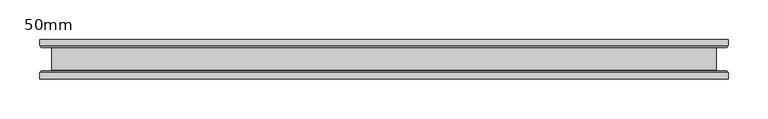
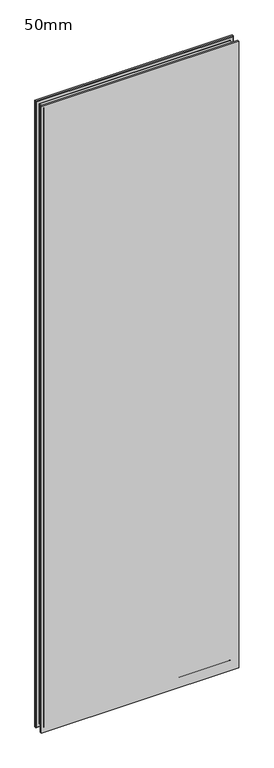
"""IFC4 building model written with IfcOpenShell, lengths in millimetres: plate geometry, 50mm."""

from ifc_helpers import new_model, si_unit, frame, origin, place, context, project, spatial, polyline, ellipse_curve, source, transform, mapped, element, save
from ifc_brep_helpers import plane_surface, revolved_surface, advanced_brep


def plate_50mm_625cb306(model_context):
    return source(origin(), model_context, "Body", "AdvancedBrep", [
        advanced_brep(
        [(434.6060992, 25.0, 2900.0), (-434.6060992, 25.0, 2900.0), (-434.6060992, 17.0, 2900.0), (434.6060992, 17.0, 2900.0), (-434.6060992, -25.0, 2900.0), (434.6060992, -25.0, 2900.0), (434.6060992, -17.0, 2900.0), (-434.6060992, -17.0, 2900.0), (434.6060992, -25.0, -13.5), (-434.6060992, -25.0, -13.5), (-434.6060992, -17.0, -13.5), (434.6060992, -17.0, -13.5), (-434.6060992, 25.0, -13.5), (434.6060992, 25.0, -13.5), (434.6060992, 17.0, -13.5), (-434.6060992, 17.0, -13.5), (-432.6060992, -15.0, -11.5), (432.6060992, -15.0, -11.5), (-419.6060992, -14.4, 1.5), (419.6060992, -14.4, 1.5), (420.2060992, -15.0, 0.9), (-420.2060992, -15.0, 0.9), (-419.6060992, 14.4, 1.5), (419.6060992, 14.4, 1.5), (-420.2060992, 15.0, 0.9), (420.2060992, 15.0, 0.9), (432.6060992, 15.0, -11.5), (-432.6060992, 15.0, -11.5), (432.6060992, -15.0, 2898.0), (419.6060992, -14.4, 2885.0), (420.2060992, -15.0, 2885.6), (419.6060992, 14.4, 2885.0), (420.2060992, 15.0, 2885.6), (432.6060992, 15.0, 2898.0), (-432.6060992, -15.0, 2898.0), (-419.6060992, -14.4, 2885.0), (-420.2060992, -15.0, 2885.6), (-419.6060992, 14.4, 2885.0), (-420.2060992, 15.0, 2885.6), (-432.6060992, 15.0, 2898.0)],
        [
            (0, 1),
            (1, 2),
            (2, 3),
            (3, 0),
            (4, 5),
            (5, 6),
            (6, 7),
            (7, 4),
            (8, 9),
            (9, 10),
            (10, 11),
            (11, 8),
            (12, 13),
            (13, 14),
            (14, 15),
            (15, 12),
            (0, 13),
            (12, 1),
            (15, 2),
            (9, 4),
            (7, 10),
            (8, 5),
            (3, 14),
            (11, 6),
            (16, 17),
            (17, 11),
            (10, 16),
            (18, 19),
            (19, 20, ellipse_curve(frame((420.2060992, -14.4, 0.9), z_axis=(0.7071067811865475, 0.0, 0.7071067811865475), x_axis=(-0.7071067811865476, 0.0, 0.7071067811865474)), 0.8485281, 0.6)),
            (20, 21),
            (21, 18, ellipse_curve(frame((-420.2060992, -14.4, 0.9), z_axis=(-0.7071067811865475, 0.0, 0.7071067811865475), x_axis=(-0.7071067811865476, 0.0, -0.7071067811865474)), 0.8485281, 0.6)),
            (18, 22),
            (22, 23),
            (23, 19),
            (22, 24, ellipse_curve(frame((-420.2060992, 14.4, 0.9), z_axis=(-0.7071067811865475, 0.0, 0.7071067811865475), x_axis=(-0.7071067811865476, 0.0, -0.7071067811865474)), 0.8485281, 0.6)),
            (24, 25),
            (25, 23, ellipse_curve(frame((420.2060992, 14.4, 0.9), z_axis=(0.7071067811865475, 0.0, 0.7071067811865475), x_axis=(-0.7071067811865476, 0.0, 0.7071067811865474)), 0.8485281, 0.6)),
            (14, 26),
            (26, 27),
            (27, 15),
            (17, 28),
            (28, 6),
            (19, 29),
            (29, 30, ellipse_curve(frame((420.2060992, -14.4, 2885.6), z_axis=(-0.7071067811865475, 0.0, 0.7071067811865475), x_axis=(-0.7071067811865474, 0.0, -0.7071067811865476)), 0.8485281, 0.6)),
            (30, 20),
            (23, 31),
            (31, 29),
            (25, 32),
            (32, 31, ellipse_curve(frame((420.2060992, 14.4, 2885.6), z_axis=(-0.7071067811865475, 0.0, 0.7071067811865475), x_axis=(-0.7071067811865474, 0.0, -0.7071067811865476)), 0.8485281, 0.6)),
            (3, 33),
            (33, 26),
            (28, 34),
            (34, 7),
            (29, 35),
            (35, 36, ellipse_curve(frame((-420.2060992, -14.4, 2885.6), z_axis=(-0.7071067811865475, 0.0, -0.7071067811865475), x_axis=(0.7071067811865476, 0.0, -0.7071067811865474)), 0.8485281, 0.6)),
            (36, 30),
            (31, 37),
            (37, 35),
            (32, 38),
            (38, 37, ellipse_curve(frame((-420.2060992, 14.4, 2885.6), z_axis=(-0.7071067811865475, 0.0, -0.7071067811865475), x_axis=(0.7071067811865476, 0.0, -0.7071067811865474)), 0.8485281, 0.6)),
            (2, 39),
            (39, 33),
            (34, 16),
            (36, 21),
            (35, 18),
            (37, 22),
            (38, 24),
            (39, 27),
        ],
        [
            plane_surface(frame((-434.6060992, 25.0, 2900.0), z_axis=(0.0, 0.0, 1.0), x_axis=(-1.0, 0.0, 0.0))),
            plane_surface(frame((-434.6060992, 25.0, -13.5), z_axis=(0.0, 0.0, -1.0), x_axis=(1.0, 0.0, 0.0))),
            plane_surface(frame((434.6060992, 25.0, 2900.0), z_axis=(0.0, 1.0, 0.0), x_axis=(0.0, 0.0, -1.0))),
            plane_surface(frame((-434.6060992, 25.0, 2900.0), z_axis=(-1.0, 0.0, 0.0), x_axis=(0.0, 0.0, -1.0))),
            plane_surface(frame((-434.6060992, -25.0, 2900.0), z_axis=(0.0, -1.0, 0.0), x_axis=(0.0, 0.0, -1.0))),
            plane_surface(frame((434.6060992, -25.0, 2900.0), z_axis=(1.0, 0.0, 0.0), x_axis=(0.0, 0.0, -1.0))),
            plane_surface(frame((-434.6060992, -17.0, -13.5), z_axis=(0.0, 0.7071067811866751, -0.7071067811864199), x_axis=(1.0, 0.0, 0.0))),
            revolved_surface(polyline([(-420.80609917353735, -14.400000000002729, 1.5), (420.8060991735373, -14.400000000002729, 1.5)]), (-421.1060992, -14.4, 0.9), (-1.0, 0.0, 0.0)),
            plane_surface(frame((-419.6060992, -14.4, 1.5), z_axis=(0.0, 0.0, -1.0), x_axis=(1.0, 0.0, 0.0))),
            revolved_surface(polyline([(-420.80609917353735, 15.0, 0.9), (420.8060991735373, 15.0, 0.9)]), (-421.1060992, 14.4, 0.9), (-1.0, 0.0, 0.0)),
            plane_surface(frame((-432.6060992, 15.0, -11.5), z_axis=(0.0, -0.7071067811660012, -0.7071067812070939), x_axis=(1.0, 0.0, 0.0))),
            plane_surface(frame((434.6060992, -17.0, -13.5), z_axis=(0.7071067811864199, 0.7071067811866751, 0.0), x_axis=(0.0, 0.0, 1.0))),
            revolved_surface(polyline([(419.60609919999996, -14.400000000002729, 0.3000000264626632), (419.60609919999996, -14.400000000002729, 2886.199999973537)]), (420.2060992, -14.4, 0.0), (0.0, 0.0, -1.0)),
            plane_surface(frame((419.6060992, -14.4, 1.5), z_axis=(1.0, 0.0, 0.0), x_axis=(0.0, 0.0, 1.0))),
            revolved_surface(polyline([(420.2060992, 15.0, 0.3000000264626632), (420.2060992, 15.0, 2886.199999973537)]), (420.2060992, 14.4, 0.0), (0.0, 0.0, -1.0)),
            plane_surface(frame((432.6060992, 15.0, -11.5), z_axis=(0.7071067812070939, -0.7071067811660012, 0.0), x_axis=(0.0, 0.0, 1.0))),
            plane_surface(frame((434.6060992, -17.0, 2900.0), z_axis=(0.0, 0.7071067811866751, 0.7071067811864199), x_axis=(-1.0, 0.0, 0.0))),
            revolved_surface(polyline([(420.80609917353735, -14.400000000002729, 2885.0), (-420.8060991735373, -14.400000000002729, 2885.0)]), (421.1060992, -14.4, 2885.6), (1.0, 0.0, 0.0)),
            plane_surface(frame((419.6060992, -14.4, 2885.0), z_axis=(0.0, 0.0, 1.0), x_axis=(-1.0, 0.0, 0.0))),
            revolved_surface(polyline([(420.80609917353735, 15.0, 2885.6), (-420.8060991735373, 15.0, 2885.6)]), (421.1060992, 14.4, 2885.6), (1.0, 0.0, 0.0)),
            plane_surface(frame((432.6060992, 15.0, 2898.0), z_axis=(0.0, -0.7071067811660012, 0.7071067812070939), x_axis=(-1.0, 0.0, 0.0))),
            plane_surface(frame((-434.6060992, -17.0, 2900.0), z_axis=(-0.7071067811864199, 0.7071067811866751, 0.0), x_axis=(0.0, 0.0, -1.0))),
            plane_surface(frame((-432.6060992, -15.0, 2898.0), z_axis=(0.0, 1.0, 0.0), x_axis=(0.0, 0.0, -1.0))),
            revolved_surface(polyline([(-419.60609919999996, -14.400000000002729, 2886.199999973537), (-419.60609919999996, -14.400000000002729, 0.30000002646283974)]), (-420.2060992, -14.4, 2886.5), (0.0, 0.0, 1.0)),
            plane_surface(frame((-419.6060992, -14.4, 2885.0), z_axis=(-1.0, 0.0, 0.0), x_axis=(0.0, 0.0, -1.0))),
            revolved_surface(polyline([(-420.2060992, 15.0, 2886.199999973537), (-420.2060992, 15.0, 0.30000002646283974)]), (-420.2060992, 14.4, 2886.5), (0.0, 0.0, 1.0)),
            plane_surface(frame((-420.2060992, 15.0, 2885.6), z_axis=(0.0, -1.0, 0.0), x_axis=(0.0, 0.0, -1.0))),
            plane_surface(frame((-432.6060992, 15.0, 2898.0), z_axis=(-0.7071067812070939, -0.7071067811660012, 0.0), x_axis=(0.0, 0.0, -1.0))),
        ],
        [
            (0, [[1, 2, 3, 4]]),
            (0, [[5, 6, 7, 8]]),
            (1, [[9, 10, 11, 12]]),
            (1, [[13, 14, 15, 16]]),
            (2, [[-1, 17, -13, 18]]),
            (3, [[-18, -16, 19, -2]]),
            (3, [[20, -8, 21, -10]]),
            (4, [[-5, -20, -9, 22]]),
            (5, [[-17, -4, 23, -14]]),
            (5, [[-22, -12, 24, -6]]),
            (6, [[25, 26, -11, 27]]),
            (7, [[28, 29, 30, 31]]),
            (8, [[-28, 32, 33, 34]]),
            (9, [[-33, 35, 36, 37]]),
            (10, [[38, 39, 40, -15]]),
            (11, [[-26, 41, 42, -24]]),
            (12, [[-29, 43, 44, 45]]),
            (13, [[-34, 46, 47, -43]]),
            (14, [[-37, 48, 49, -46]]),
            (15, [[-38, -23, 50, 51]]),
            (16, [[-42, 52, 53, -7]]),
            (17, [[-44, 54, 55, 56]]),
            (18, [[-47, 57, 58, -54]]),
            (19, [[-49, 59, 60, -57]]),
            (20, [[-50, -3, 61, 62]]),
            (21, [[-27, -21, -53, 63]]),
            (22, [[-25, -63, -52, -41], [-30, -45, -56, 64]]),
            (23, [[-31, -64, -55, 65]]),
            (24, [[-32, -65, -58, 66]]),
            (25, [[-35, -66, -60, 67]]),
            (26, [[-39, -51, -62, 68], [-36, -67, -59, -48]]),
            (27, [[-40, -68, -61, -19]]),
        ],
    ),
    ])


if __name__ == "__main__":
    model = new_model("IFC4")
    model_context = context("Model", 3, world=origin())
    ifc_project = project(units=[si_unit("LENGTHUNIT", "METRE", prefix="MILLI")], contexts=[model_context])
    site = spatial("IfcSite", under=ifc_project)
    building = spatial("IfcBuilding", under=site)
    placement = place(None, origin())
    plate_50mm_shape = plate_50mm_625cb306(model_context)
    element("IfcPlate", 1, ObjectType="50mm", at=placement, inside=building, context=model_context, shape_type="MappedRepresentation", body=[
        mapped(plate_50mm_shape, transform((0.0, 0.0, 0.0), x_axis=(1.0, 0.0, 0.0), y_axis=(0.0, 1.0, 0.0), z_axis=(0.0, 0.0, 1.0))),
    ])
    save(model, "model.ifc")
